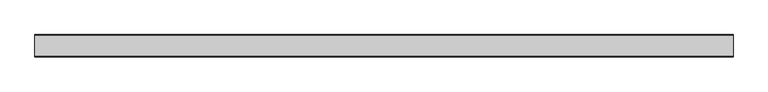
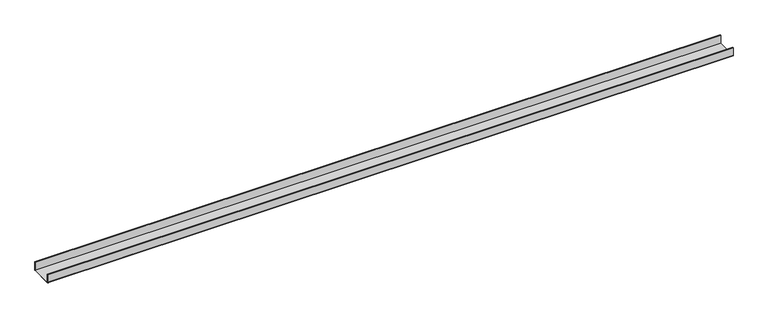
"""IFC4 building model written with IfcOpenShell, lengths in millimetres: proxy geometry."""

from ifc_helpers import new_model, si_unit, point, frame, frame_2d, origin, place, context, project, spatial, polyline, circle_curve, trimmed, segment, composite_curve, outline, extrude, source, transform, mapped, element, save


def generic_models_16a8a409(model_context):
    return source(origin(), model_context, "Body", "SweptSolid", [
        extrude(outline(composite_curve([segment(polyline([(-50.5, 2.0), (-50.5, 40.0), (-48.5, 40.0), (-48.5, 2.0), (48.5, 2.0), (48.5, 40.0), (50.5, 40.0), (50.5, 2.0)]), True, "CONTINUOUS"), segment(trimmed(circle_curve(frame_2d((48.5, 2.0)), 2.0), [point((50.5, 2.0))], [point((48.5, 0.0))], False, "CARTESIAN"), True, "CONTINUOUS"), segment(polyline([(48.5, 0.0), (-48.5, 0.0)]), True, "CONTINUOUS"), segment(trimmed(circle_curve(frame_2d((-48.5, 2.0)), 2.0), [point((-48.5, 0.0))], [point((-50.5, 2.0))], False, "CARTESIAN"), True, "CONTINUOUS")], self_intersect=False)), frame((0.0, 0.0, 0.0), z_axis=(1.0, 0.0, 0.0), x_axis=(0.0, 1.0, 0.0)), (0.0, 0.0, 1.0), 3135.9140109),
    ])


if __name__ == "__main__":
    model = new_model("IFC4")
    model_context = context("Model", 3, world=origin())
    ifc_project = project(units=[si_unit("LENGTHUNIT", "METRE", prefix="MILLI")], contexts=[model_context])
    site = spatial("IfcSite", under=ifc_project)
    building = spatial("IfcBuilding", under=site)
    placement = place(None, origin())
    generic_models_shape = generic_models_16a8a409(model_context)
    element("IfcBuildingElementProxy", 1, Name="Generic Models", at=placement, inside=building, context=model_context, shape_type="MappedRepresentation", body=[
        mapped(generic_models_shape, transform((0.0, 0.0, 0.0), x_axis=(1.0, 0.0, 0.0), y_axis=(0.0, 1.0, 0.0), z_axis=(0.0, 0.0, 1.0))),
    ])
    save(model, "model.ifc")
